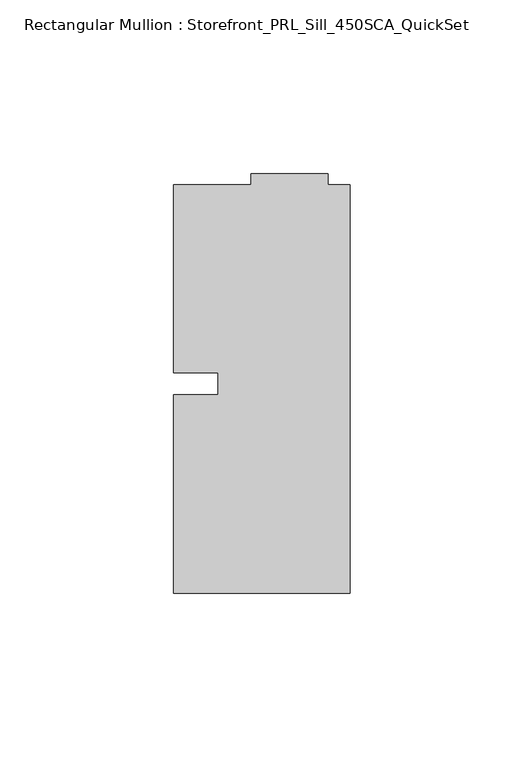
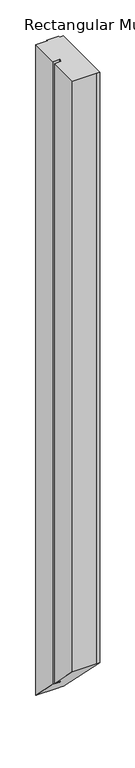
"""IFC4 building model written with IfcOpenShell, lengths in millimetres: member geometry, Rectangular Mullion : Storefront_PRL_Sill_450SCA_QuickSet."""

from ifc_helpers import new_model, si_unit, origin, place, context, project, spatial, faceted_brep, source, transform, mapped, element, save


def rectangular_mullion_storefront_prl_sill_450sca_quickset_48ac1d69(model_context):
    return source(origin(), model_context, "Body", "Brep", [
        faceted_brep([(-38.1, -3.175, 0.0), (-50.8, -3.175, 0.0), (-50.8, -60.325, 0.0), (-6.35, -60.325, 0.0), (0.0, -60.325, 0.0), (0.0, 57.15, 0.0), (-6.35, 57.15, 0.0), (-6.35, 60.325, 0.0), (-28.575, 60.325, 0.0), (-28.575, 57.15, 0.0), (-50.8, 57.15, 0.0), (-50.8, 3.175, 0.0), (-38.1, 3.175, 0.0), (-38.1, -3.175, -1216.025), (-50.8, -3.175, -1216.025), (-50.8, -60.325, -1158.875), (-6.35, -60.325, -1158.875), (0.0, -60.325, -1158.875), (0.0, 57.15, -1276.35), (-6.35, 57.15, -1276.35), (-6.35, 60.325, -1279.525), (-28.575, 60.325, -1279.525), (-28.575, 57.15, -1276.35), (-50.8, 57.15, -1276.35), (-50.8, 3.175, -1222.375), (-38.1, 3.175, -1222.375)], [[[0, 1, 2, 3, 4, 5, 6, 7, 8, 9, 10, 11, 12]], [[1, 0, 13, 14]], [[2, 1, 14, 15]], [[3, 2, 15, 16]], [[4, 3, 16, 17]], [[5, 4, 17, 18]], [[6, 5, 18, 19]], [[7, 6, 19, 20]], [[8, 7, 20, 21]], [[9, 8, 21, 22]], [[10, 9, 22, 23]], [[11, 10, 23, 24]], [[12, 11, 24, 25]], [[0, 12, 25, 13]], [[13, 25, 24, 23, 22, 21, 20, 19, 18, 17, 16, 15, 14]]]),
    ])


if __name__ == "__main__":
    model = new_model("IFC4")
    model_context = context("Model", 3, world=origin())
    ifc_project = project(units=[si_unit("LENGTHUNIT", "METRE", prefix="MILLI")], contexts=[model_context])
    site = spatial("IfcSite", under=ifc_project)
    building = spatial("IfcBuilding", under=site)
    placement = place(None, origin())
    rectangular_mullion_storefront_prl_sill_450sca_quickset_shape = rectangular_mullion_storefront_prl_sill_450sca_quickset_48ac1d69(model_context)
    element("IfcMember", 1, ObjectType="Rectangular Mullion : Storefront_PRL_Sill_450SCA_QuickSet", at=placement, inside=building, context=model_context, shape_type="MappedRepresentation", body=[
        mapped(rectangular_mullion_storefront_prl_sill_450sca_quickset_shape, transform((0.0, 0.0, 0.0), x_axis=(1.0, 0.0, 0.0), y_axis=(0.0, 1.0, 0.0), z_axis=(0.0, 0.0, 1.0))),
    ])
    save(model, "model.ifc")
